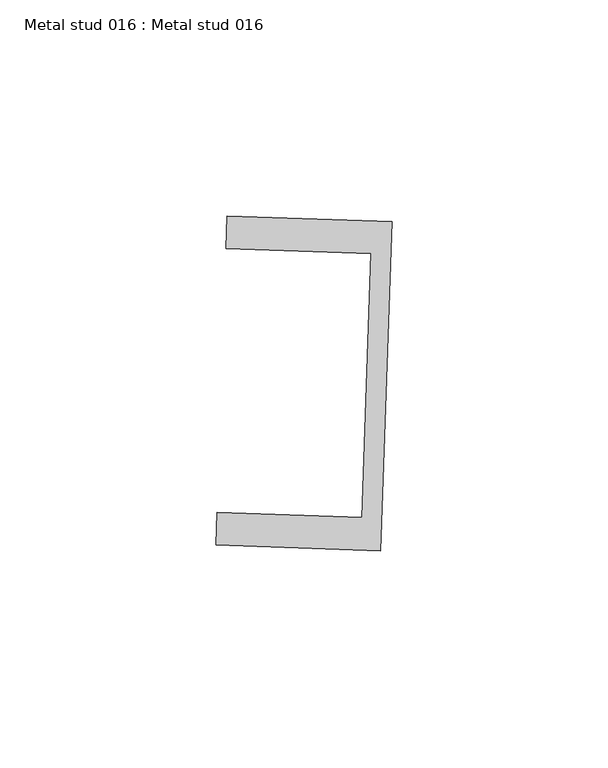
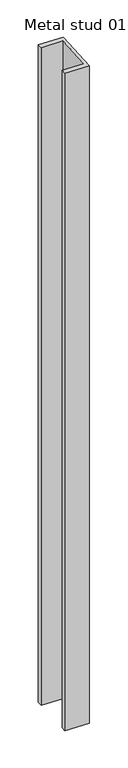
"""IFC4 building model written with IfcOpenShell, lengths in millimetres: proxy geometry, Metal stud 016 : Metal stud 016."""

from ifc_helpers import new_model, si_unit, frame, origin, place, context, project, spatial, polyline, outline, extrude, source, transform, mapped, element, save


def metal_stud_016_metal_stud_016_7e98ffb2(model_context):
    return source(origin(), model_context, "Body", "SweptSolid", [
        extrude(outline(polyline([(33600.4887853, -14817.4116232), (33597.8826095, -14893.5670422), (33559.8049, -14892.2639544), (33560.0614134, -14884.7683422), (33593.6417556, -14885.9175221), (33595.7349047, -14824.7533273), (33562.1545624, -14823.6041474), (33562.4110758, -14816.1085353), (33600.4887853, -14817.4116232)])), frame((0.0, 0.0, 3009.9), z_axis=(0.0, 0.0, 1.0), x_axis=(1.0, 0.0, 0.0)), (0.0, 0.0, 1.0), 1092.2),
    ])


if __name__ == "__main__":
    model = new_model("IFC4")
    model_context = context("Model", 3, world=origin())
    ifc_project = project(units=[si_unit("LENGTHUNIT", "METRE", prefix="MILLI")], contexts=[model_context])
    site = spatial("IfcSite", under=ifc_project)
    building = spatial("IfcBuilding", under=site)
    placement = place(None, origin())
    metal_stud_016_metal_stud_016_shape = metal_stud_016_metal_stud_016_7e98ffb2(model_context)
    element("IfcBuildingElementProxy", 1, Name="Metal stud 016 : Metal stud 016", ObjectType="Metal stud 016 : Metal stud 016", at=placement, inside=building, context=model_context, shape_type="MappedRepresentation", body=[
        mapped(metal_stud_016_metal_stud_016_shape, transform((0.0, 0.0, 0.0), x_axis=(1.0, 0.0, 0.0), y_axis=(0.0, 1.0, 0.0), z_axis=(0.0, 0.0, 1.0))),
    ])
    save(model, "model.ifc")
